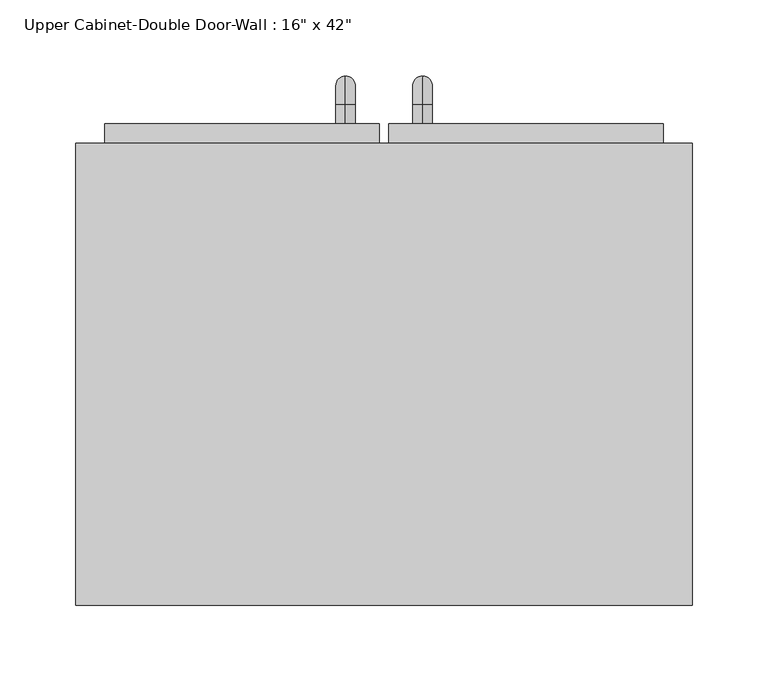
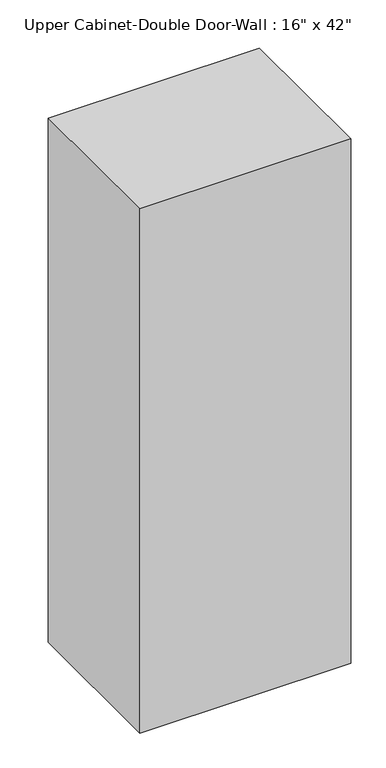
"""IFC4 building model written with IfcOpenShell, lengths in millimetres: furniture geometry."""

from ifc_helpers import new_model, si_unit, point, frame, origin, place, context, project, spatial, polyline, circle_curve, ellipse_curve, trimmed, outline, extrude, faceted_brep, source, transform, mapped, element, save
from ifc_brep_helpers import plane_surface, cylinder_surface, revolved_surface, advanced_brep


def furniture_22fe4814(model_context):
    return source(origin(), model_context, "Body", "SolidModel", [
        faceted_brep([(-173.4288372, 53.975, 2133.6), (-173.4288372, 53.975, 1066.8), (232.9711628, 53.975, 1066.8), (232.9711628, 53.975, 2133.6), (-173.4288372, 358.775, 2133.6), (232.9711628, 358.775, 2133.6), (232.9711628, 358.775, 1066.8), (-173.4288372, 358.775, 1066.8), (-154.3788372, 358.775, 2114.55), (-154.3788372, 358.775, 1085.85), (213.9211628, 358.775, 1085.85), (213.9211628, 358.775, 2114.55), (213.9211628, 73.025, 2114.55), (-154.3788372, 73.025, 2114.55), (213.9211628, 73.025, 1085.85), (-154.3788372, 73.025, 1085.85)], [[[0, 1, 2, 3]], [[4, 5, 6, 7], [8, 9, 10, 11]], [[1, 0, 4, 7]], [[2, 1, 7, 6]], [[3, 2, 6, 5]], [[0, 3, 5, 4]], [[8, 11, 12, 13]], [[11, 10, 14, 12]], [[10, 9, 15, 14]], [[9, 8, 13, 15]], [[13, 12, 14, 15]]]),
        advanced_brep(
        [(55.1711628, 371.475, 1212.85), (55.1711628, 371.475, 1225.55), (55.1711628, 384.175, 1212.85), (55.1711628, 384.175, 1225.55), (55.1711628, 403.225, 1206.5), (55.1711628, 390.525, 1206.5), (55.1711628, 390.525, 1130.3), (55.1711628, 403.225, 1130.3), (55.1711628, 384.175, 1111.25), (55.1711628, 384.175, 1123.95), (55.1711628, 371.475, 1123.95), (55.1711628, 371.475, 1111.25)],
        [
            (0, 1, circle_curve(frame((55.1711628, 371.475, 1219.2), z_axis=(0.0, -1.0, 0.0), x_axis=(0.0, 0.0, -1.0)), 6.35)),
            (1, 0, circle_curve(frame((55.1711628, 371.475, 1219.2), z_axis=(0.0, -1.0, 0.0), x_axis=(0.0, 0.0, -1.0)), 6.35)),
            (0, 2),
            (2, 3, circle_curve(frame((55.1711628, 384.175, 1219.2), z_axis=(0.0, -1.0, 0.0), x_axis=(0.0, 0.0, -1.0)), 6.35)),
            (3, 1),
            (3, 2, circle_curve(frame((55.1711628, 384.175, 1219.2), z_axis=(0.0, -1.0, 0.0), x_axis=(0.0, 0.0, -1.0)), 6.35)),
            (4, 3, circle_curve(frame((55.1711628, 384.175, 1206.5), z_axis=(1.0, 0.0, 0.0), x_axis=(0.0, 0.0, 1.0)), 19.05)),
            (2, 5, circle_curve(frame((55.1711628, 384.175, 1206.5), z_axis=(-1.0, 0.0, 0.0), x_axis=(0.0, 0.0, 1.0)), 6.35)),
            (5, 4, circle_curve(frame((55.1711628, 396.875, 1206.5), z_axis=(0.0, 0.0, 1.0), x_axis=(0.0, -1.0, 0.0)), 6.35)),
            (4, 5, circle_curve(frame((55.1711628, 396.875, 1206.5), z_axis=(0.0, 0.0, 1.0), x_axis=(0.0, -1.0, 0.0)), 6.35)),
            (5, 6),
            (6, 7, circle_curve(frame((55.1711628, 396.875, 1130.3), z_axis=(0.0, 0.0, 1.0), x_axis=(0.0, -1.0, 0.0)), 6.35)),
            (7, 4),
            (7, 6, circle_curve(frame((55.1711628, 396.875, 1130.3), z_axis=(0.0, 0.0, 1.0), x_axis=(0.0, -1.0, 0.0)), 6.35)),
            (8, 7, circle_curve(frame((55.1711628, 384.175, 1130.3), z_axis=(1.0, 0.0, 0.0), x_axis=(0.0, 1.0, 0.0)), 19.05)),
            (6, 9, circle_curve(frame((55.1711628, 384.175, 1130.3), z_axis=(-1.0, 0.0, 0.0), x_axis=(0.0, 1.0, 0.0)), 6.35)),
            (9, 8, circle_curve(frame((55.1711628, 384.175, 1117.6), z_axis=(0.0, 1.0, 0.0), x_axis=(0.0, 0.0, 1.0)), 6.35)),
            (8, 9, circle_curve(frame((55.1711628, 384.175, 1117.6), z_axis=(0.0, 1.0, 0.0), x_axis=(0.0, 0.0, 1.0)), 6.35)),
            (10, 11, circle_curve(frame((55.1711628, 371.475, 1117.6), z_axis=(0.0, -1.0, 0.0), x_axis=(0.0, 0.0, 1.0)), 6.35)),
            (11, 10, circle_curve(frame((55.1711628, 371.475, 1117.6), z_axis=(0.0, -1.0, 0.0), x_axis=(0.0, 0.0, 1.0)), 6.35)),
            (9, 10),
            (11, 8),
        ],
        [
            plane_surface(frame((48.8211628, 371.475, 1219.2), z_axis=(0.0, -1.0, 0.0), x_axis=(0.0, 0.0, 1.0))),
            cylinder_surface(frame((55.1711628, 371.475, 1219.2), z_axis=(0.0, -1.0, 0.0), x_axis=(0.0, 0.0, -1.0)), 6.35),
            revolved_surface(trimmed(ellipse_curve(frame((55.1711628, 384.175, 1219.2), z_axis=(0.0, -1.0, 0.0), x_axis=(0.0, 0.0, -1.0)), 6.35, 6.35), [point((55.1711628, 384.175, 1212.85))], [point((55.1711628, 384.175, 1225.55))], True, "CARTESIAN"), (55.1711628, 384.175, 1206.5), (-1.0, 0.0, 0.0)),
            revolved_surface(trimmed(ellipse_curve(frame((55.1711628, 384.175, 1219.2), z_axis=(0.0, -1.0, 0.0), x_axis=(0.0, 0.0, -1.0)), 6.35, 6.35), [point((55.1711628, 384.175, 1225.55))], [point((55.1711628, 384.175, 1212.85))], True, "CARTESIAN"), (55.1711628, 384.175, 1206.5), (-1.0, 0.0, 0.0)),
            cylinder_surface(frame((55.1711628, 396.875, 1206.5), z_axis=(0.0, 0.0, 1.0), x_axis=(0.0, -1.0, 0.0)), 6.35),
            revolved_surface(trimmed(ellipse_curve(frame((55.1711628, 396.875, 1130.3), z_axis=(0.0, 0.0, 1.0), x_axis=(0.0, -1.0, 0.0)), 6.35, 6.35), [point((55.1711628, 390.525, 1130.3))], [point((55.1711628, 403.225, 1130.3))], True, "CARTESIAN"), (55.1711628, 384.175, 1130.3), (-1.0, 0.0, 0.0)),
            revolved_surface(trimmed(ellipse_curve(frame((55.1711628, 396.875, 1130.3), z_axis=(0.0, 0.0, 1.0), x_axis=(0.0, -1.0, 0.0)), 6.35, 6.35), [point((55.1711628, 403.225, 1130.3))], [point((55.1711628, 390.525, 1130.3))], True, "CARTESIAN"), (55.1711628, 384.175, 1130.3), (-1.0, 0.0, 0.0)),
            plane_surface(frame((48.8211628, 371.475, 1117.6), z_axis=(0.0, -1.0, 0.0), x_axis=(0.0, 0.0, -1.0))),
            cylinder_surface(frame((55.1711628, 384.175, 1117.6), z_axis=(0.0, 1.0, 0.0), x_axis=(0.0, 0.0, 1.0)), 6.35),
        ],
        [
            (0, [[1, 2]]),
            (1, [[-1, 3, 4, 5]]),
            (1, [[-2, -5, 6, -3]]),
            (2, [[7, -4, 8, 9]]),
            (3, [[-8, -6, -7, 10]]),
            (4, [[-9, 11, 12, 13]]),
            (4, [[-10, -13, 14, -11]]),
            (5, [[15, -12, 16, 17]]),
            (6, [[-16, -14, -15, 18]]),
            (7, [[19, 20]]),
            (8, [[-17, 21, -20, 22]]),
            (8, [[-18, -22, -19, -21]]),
        ],
    ),
        advanced_brep(
        [(4.3711628, 371.475, 1212.85), (4.3711628, 371.475, 1225.55), (4.3711628, 384.175, 1212.85), (4.3711628, 384.175, 1225.55), (4.3711628, 403.225, 1206.5), (4.3711628, 390.525, 1206.5), (4.3711628, 390.525, 1130.3), (4.3711628, 403.225, 1130.3), (4.3711628, 384.175, 1111.25), (4.3711628, 384.175, 1123.95), (4.3711628, 371.475, 1123.95), (4.3711628, 371.475, 1111.25)],
        [
            (0, 1, circle_curve(frame((4.3711628, 371.475, 1219.2), z_axis=(0.0, -1.0, 0.0), x_axis=(0.0, 0.0, 1.0)), 6.35)),
            (1, 0, circle_curve(frame((4.3711628, 371.475, 1219.2), z_axis=(0.0, -1.0, 0.0), x_axis=(0.0, 0.0, 1.0)), 6.35)),
            (0, 2),
            (2, 3, circle_curve(frame((4.3711628, 384.175, 1219.2), z_axis=(0.0, -1.0, 0.0), x_axis=(0.0, 0.0, 1.0)), 6.35)),
            (3, 1),
            (3, 2, circle_curve(frame((4.3711628, 384.175, 1219.2), z_axis=(0.0, -1.0, 0.0), x_axis=(0.0, 0.0, 1.0)), 6.35)),
            (4, 3, circle_curve(frame((4.3711628, 384.175, 1206.5), z_axis=(1.0, 0.0, 0.0), x_axis=(0.0, 0.0, 1.0)), 19.05)),
            (2, 5, circle_curve(frame((4.3711628, 384.175, 1206.5), z_axis=(-1.0, 0.0, 0.0), x_axis=(0.0, 0.0, 1.0)), 6.35)),
            (5, 4, circle_curve(frame((4.3711628, 396.875, 1206.5), z_axis=(0.0, 0.0, 1.0), x_axis=(0.0, 1.0, 0.0)), 6.35)),
            (4, 5, circle_curve(frame((4.3711628, 396.875, 1206.5), z_axis=(0.0, 0.0, 1.0), x_axis=(0.0, 1.0, 0.0)), 6.35)),
            (5, 6),
            (6, 7, circle_curve(frame((4.3711628, 396.875, 1130.3), z_axis=(0.0, 0.0, 1.0), x_axis=(0.0, 1.0, 0.0)), 6.35)),
            (7, 4),
            (7, 6, circle_curve(frame((4.3711628, 396.875, 1130.3), z_axis=(0.0, 0.0, 1.0), x_axis=(0.0, 1.0, 0.0)), 6.35)),
            (8, 7, circle_curve(frame((4.3711628, 384.175, 1130.3), z_axis=(1.0, 0.0, 0.0), x_axis=(0.0, 1.0, 0.0)), 19.05)),
            (6, 9, circle_curve(frame((4.3711628, 384.175, 1130.3), z_axis=(-1.0, 0.0, 0.0), x_axis=(0.0, 1.0, 0.0)), 6.35)),
            (9, 8, circle_curve(frame((4.3711628, 384.175, 1117.6), z_axis=(0.0, 1.0, 0.0), x_axis=(0.0, 0.0, -1.0)), 6.35)),
            (8, 9, circle_curve(frame((4.3711628, 384.175, 1117.6), z_axis=(0.0, 1.0, 0.0), x_axis=(0.0, 0.0, -1.0)), 6.35)),
            (10, 11, circle_curve(frame((4.3711628, 371.475, 1117.6), z_axis=(0.0, -1.0, 0.0), x_axis=(0.0, 0.0, -1.0)), 6.35)),
            (11, 10, circle_curve(frame((4.3711628, 371.475, 1117.6), z_axis=(0.0, -1.0, 0.0), x_axis=(0.0, 0.0, -1.0)), 6.35)),
            (9, 10),
            (11, 8),
        ],
        [
            plane_surface(frame((-1.9788372, 371.475, 1219.2), z_axis=(0.0, -1.0, 0.0), x_axis=(0.0, 0.0, 1.0))),
            cylinder_surface(frame((4.3711628, 371.475, 1219.2), z_axis=(0.0, -1.0, 0.0), x_axis=(0.0, 0.0, 1.0)), 6.35),
            revolved_surface(trimmed(ellipse_curve(frame((4.3711628, 384.175, 1219.2), z_axis=(0.0, -1.0, 0.0), x_axis=(0.0, 0.0, 1.0)), 6.35, 6.35), [point((4.3711628, 384.175, 1212.85))], [point((4.3711628, 384.175, 1225.55))], True, "CARTESIAN"), (4.3711628, 384.175, 1206.5), (-1.0, 0.0, 0.0)),
            revolved_surface(trimmed(ellipse_curve(frame((4.3711628, 384.175, 1219.2), z_axis=(0.0, -1.0, 0.0), x_axis=(0.0, 0.0, 1.0)), 6.35, 6.35), [point((4.3711628, 384.175, 1225.55))], [point((4.3711628, 384.175, 1212.85))], True, "CARTESIAN"), (4.3711628, 384.175, 1206.5), (-1.0, 0.0, 0.0)),
            cylinder_surface(frame((4.3711628, 396.875, 1206.5), z_axis=(0.0, 0.0, 1.0), x_axis=(0.0, 1.0, 0.0)), 6.35),
            revolved_surface(trimmed(ellipse_curve(frame((4.3711628, 396.875, 1130.3), z_axis=(0.0, 0.0, 1.0), x_axis=(0.0, 1.0, 0.0)), 6.35, 6.35), [point((4.3711628, 390.525, 1130.3))], [point((4.3711628, 403.225, 1130.3))], True, "CARTESIAN"), (4.3711628, 384.175, 1130.3), (-1.0, 0.0, 0.0)),
            revolved_surface(trimmed(ellipse_curve(frame((4.3711628, 396.875, 1130.3), z_axis=(0.0, 0.0, 1.0), x_axis=(0.0, 1.0, 0.0)), 6.35, 6.35), [point((4.3711628, 403.225, 1130.3))], [point((4.3711628, 390.525, 1130.3))], True, "CARTESIAN"), (4.3711628, 384.175, 1130.3), (-1.0, 0.0, 0.0)),
            plane_surface(frame((-1.9788372, 371.475, 1117.6), z_axis=(0.0, -1.0, 0.0), x_axis=(0.0, 0.0, -1.0))),
            cylinder_surface(frame((4.3711628, 384.175, 1117.6), z_axis=(0.0, 1.0, 0.0), x_axis=(0.0, 0.0, -1.0)), 6.35),
        ],
        [
            (0, [[1, 2]]),
            (1, [[-1, 3, 4, 5]]),
            (1, [[-2, -5, 6, -3]]),
            (2, [[7, -4, 8, 9]]),
            (3, [[-8, -6, -7, 10]]),
            (4, [[-9, 11, 12, 13]]),
            (4, [[-10, -13, 14, -11]]),
            (5, [[15, -12, 16, 17]]),
            (6, [[-16, -14, -15, 18]]),
            (7, [[19, 20]]),
            (8, [[-17, 21, -20, 22]]),
            (8, [[-18, -22, -19, -21]]),
        ],
    ),
        extrude(outline(polyline([(32.9461628, 371.475), (213.9211628, 371.475), (213.9211628, 339.725), (32.9461628, 339.725), (32.9461628, 371.475)])), frame((0.0, 0.0, 1085.85), z_axis=(0.0, 0.0, 1.0), x_axis=(1.0, 0.0, 0.0)), (0.0, 0.0, 1.0), 1028.7),
        extrude(outline(polyline([(-154.3788372, 371.475), (26.5961628, 371.475), (26.5961628, 339.725), (-154.3788372, 339.725), (-154.3788372, 371.475)])), frame((0.0, 0.0, 1085.85), z_axis=(0.0, 0.0, 1.0), x_axis=(1.0, 0.0, 0.0)), (0.0, 0.0, 1.0), 1028.7),
    ])


if __name__ == "__main__":
    model = new_model("IFC4")
    model_context = context("Model", 3, world=origin())
    ifc_project = project(units=[si_unit("LENGTHUNIT", "METRE", prefix="MILLI")], contexts=[model_context])
    site = spatial("IfcSite", under=ifc_project)
    building = spatial("IfcBuilding", under=site)
    placement = place(None, origin())
    furniture_shape = furniture_22fe4814(model_context)
    element("IfcFurniture", 1, ObjectType="Upper Cabinet-Double Door-Wall : 16\" x 42\"", at=placement, inside=building, context=model_context, shape_type="MappedRepresentation", body=[
        mapped(furniture_shape, transform((0.0, 0.0, 0.0), x_axis=(1.0, 0.0, 0.0), y_axis=(0.0, 1.0, 0.0), z_axis=(0.0, 0.0, 1.0))),
    ])
    save(model, "model.ifc")
